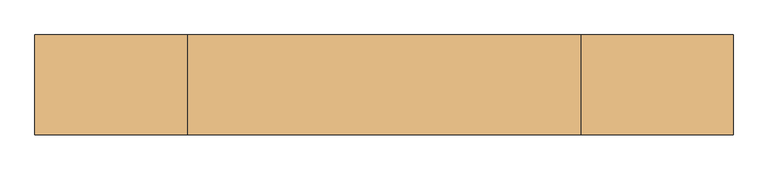
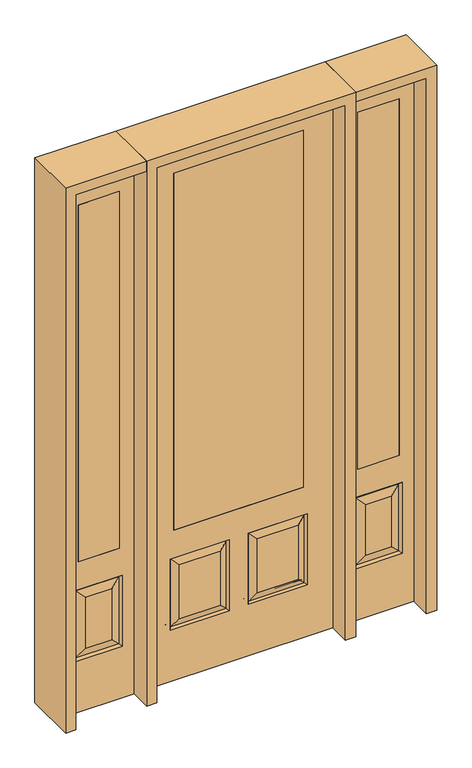
"""IFC4 building model written with IfcOpenShell, lengths in millimetres: door geometry."""

from ifc_helpers import new_model, si_unit, frame, origin, place, context, project, spatial, polyline, outline, extrude, faceted_brep, source, transform, mapped, element, save


def door_cbc164ea(model_context):
    return source(origin(), model_context, "Body", "SolidModel", [
        extrude(outline(polyline([(514.35, -20.6375), (514.35, 20.6375), (692.15, 20.6375), (692.15, -20.6375), (514.35, -20.6375)])), frame((0.0, 0.0, 685.8), z_axis=(0.0, 0.0, 1.0), x_axis=(1.0, 0.0, 0.0)), (0.0, 0.0, 1.0), 1625.6),
        faceted_brep([(755.65, -20.6375, 0.0), (755.65, -20.6375, 2438.4), (450.85, -20.6375, 2438.4), (450.85, -20.6375, 0.0), (501.65, -20.6375, 234.95), (501.65, -20.6375, 558.8), (704.85, -20.6375, 558.8), (704.85, -20.6375, 234.95), (514.35, -20.6375, 685.8), (514.35, -20.6375, 2311.4), (692.15, -20.6375, 2311.4), (692.15, -20.6375, 685.8), (658.8125, -20.6375, 280.9875), (658.8125, -20.6375, 512.7625), (547.6875, -20.6375, 512.7625), (547.6875, -20.6375, 280.9875), (450.85, 20.6375, 0.0), (755.65, 20.6375, 0.0), (450.85, 20.6375, 2438.4), (755.65, 20.6375, 2438.4), (510.6302561, -11.6572439, 243.9302561), (695.8697439, -11.6572439, 243.9302561), (695.8697439, -11.6572439, 549.8197439), (510.6302561, -11.6572439, 549.8197439), (704.85, 20.6375, 234.95), (704.85, 20.6375, 558.8), (501.65, 20.6375, 558.8), (501.65, 20.6375, 234.95), (692.15, 20.6375, 685.8), (692.15, 20.6375, 2311.4), (514.35, 20.6375, 2311.4), (514.35, 20.6375, 685.8), (547.6875, 20.6375, 280.9875), (547.6875, 20.6375, 512.7625), (658.8125, 20.6375, 512.7625), (658.8125, 20.6375, 280.9875), (510.6302561, 11.6572439, 243.9302561), (695.8697439, 11.6572439, 243.9302561), (510.6302561, 11.6572439, 549.8197439), (695.8697439, 11.6572439, 549.8197439)], [[[0, 1, 2, 3], [4, 5, 6, 7], [8, 9, 10, 11]], [[12, 13, 14, 15]], [[3, 16, 17, 0]], [[2, 18, 16, 3]], [[0, 17, 19, 1]], [[20, 4, 7, 21]], [[7, 6, 22, 21]], [[6, 5, 23, 22]], [[20, 23, 5, 4]], [[21, 12, 15, 20]], [[15, 14, 23, 20]], [[22, 23, 14, 13]], [[21, 22, 13, 12]], [[17, 16, 18, 19], [24, 25, 26, 27], [28, 29, 30, 31]], [[32, 33, 34, 35]], [[24, 27, 36, 37]], [[27, 26, 38, 36]], [[39, 38, 26, 25]], [[37, 39, 25, 24]], [[36, 32, 35, 37]], [[35, 34, 39, 37]], [[34, 33, 38, 39]], [[36, 38, 33, 32]], [[1, 19, 18, 2]], [[8, 11, 28, 31]], [[11, 10, 29, 28]], [[31, 30, 9, 8]], [[30, 29, 10, 9]]]),
        extrude(outline(polyline([(-514.35, -20.6375), (-692.15, -20.6375), (-692.15, 20.6375), (-514.35, 20.6375), (-514.35, -20.6375)])), frame((0.0, 0.0, 685.8), z_axis=(0.0, 0.0, 1.0), x_axis=(1.0, 0.0, 0.0)), (0.0, 0.0, 1.0), 1625.6),
        faceted_brep([(-755.65, -20.6375, 0.0), (-450.85, -20.6375, 0.0), (-450.85, -20.6375, 2438.4), (-755.65, -20.6375, 2438.4), (-501.65, -20.6375, 234.95), (-704.85, -20.6375, 234.95), (-704.85, -20.6375, 558.8), (-501.65, -20.6375, 558.8), (-514.35, -20.6375, 685.8), (-692.15, -20.6375, 685.8), (-692.15, -20.6375, 2311.4), (-514.35, -20.6375, 2311.4), (-658.8125, -20.6375, 280.9875), (-547.6875, -20.6375, 280.9875), (-547.6875, -20.6375, 512.7625), (-658.8125, -20.6375, 512.7625), (-755.65, 20.6375, 0.0), (-450.85, 20.6375, 0.0), (-450.85, 20.6375, 2438.4), (-755.65, 20.6375, 2438.4), (-510.6302561, -11.6572439, 243.9302561), (-695.8697439, -11.6572439, 243.9302561), (-695.8697439, -11.6572439, 549.8197439), (-510.6302561, -11.6572439, 549.8197439), (-704.85, 20.6375, 234.95), (-501.65, 20.6375, 234.95), (-501.65, 20.6375, 558.8), (-704.85, 20.6375, 558.8), (-692.15, 20.6375, 685.8), (-514.35, 20.6375, 685.8), (-514.35, 20.6375, 2311.4), (-692.15, 20.6375, 2311.4), (-547.6875, 20.6375, 280.9875), (-658.8125, 20.6375, 280.9875), (-658.8125, 20.6375, 512.7625), (-547.6875, 20.6375, 512.7625), (-695.8697439, 11.6572439, 243.9302561), (-510.6302561, 11.6572439, 243.9302561), (-510.6302561, 11.6572439, 549.8197439), (-695.8697439, 11.6572439, 549.8197439)], [[[0, 1, 2, 3], [4, 5, 6, 7], [8, 9, 10, 11]], [[12, 13, 14, 15]], [[1, 0, 16, 17]], [[2, 1, 17, 18]], [[0, 3, 19, 16]], [[20, 21, 5, 4]], [[5, 21, 22, 6]], [[6, 22, 23, 7]], [[20, 4, 7, 23]], [[21, 20, 13, 12]], [[13, 20, 23, 14]], [[22, 15, 14, 23]], [[21, 12, 15, 22]], [[16, 19, 18, 17], [24, 25, 26, 27], [28, 29, 30, 31]], [[32, 33, 34, 35]], [[24, 36, 37, 25]], [[25, 37, 38, 26]], [[39, 27, 26, 38]], [[36, 24, 27, 39]], [[37, 36, 33, 32]], [[33, 36, 39, 34]], [[34, 39, 38, 35]], [[37, 32, 35, 38]], [[3, 2, 18, 19]], [[8, 29, 28, 9]], [[9, 28, 31, 10]], [[29, 8, 11, 30]], [[30, 11, 10, 31]]]),
        faceted_brep([(279.4, 20.6375, 685.8), (279.4, -20.6375, 685.8), (279.4, -20.6375, 2311.4), (279.4, 20.6375, 2311.4), (-279.4, 20.6375, 685.8), (-279.4, -20.6375, 685.8), (-80.1727627, 20.6375, 273.8477627), (-256.3772373, 20.6375, 273.8477627), (-256.3772373, 20.6375, 520.4102373), (-80.1727627, 20.6375, 520.4102373), (256.3772373, 20.6375, 273.8477627), (80.1727627, 20.6375, 273.8477627), (80.1727627, 20.6375, 520.4102373), (256.3772373, 20.6375, 520.4102373), (-406.4, 20.6375, 2438.4), (406.4, 20.6375, 2438.4), (406.4, 20.6375, 0.0), (-406.4, 20.6375, 0.0), (-279.4, 20.6375, 2311.4), (-295.275, 20.6375, 234.95), (-41.275, 20.6375, 234.95), (-41.275, 20.6375, 559.308), (-295.275, 20.6375, 559.308), (41.275, 20.6375, 234.95), (295.275, 20.6375, 234.95), (295.275, 20.6375, 559.308), (41.275, 20.6375, 559.308), (-279.4, -20.6375, 2311.4), (80.1727627, -20.6375, 273.8477627), (256.3772373, -20.6375, 273.8477627), (256.3772373, -20.6375, 520.4102373), (80.1727627, -20.6375, 520.4102373), (-256.3772373, -20.6375, 273.8477627), (-80.1727627, -20.6375, 273.8477627), (-80.1727627, -20.6375, 520.4102373), (-256.3772373, -20.6375, 520.4102373), (406.4, -20.6375, 2438.4), (-406.4, -20.6375, 2438.4), (-406.4, -20.6375, 0.0), (406.4, -20.6375, 0.0), (295.275, -20.6375, 234.95), (41.275, -20.6375, 234.95), (41.275, -20.6375, 559.308), (295.275, -20.6375, 559.308), (-41.275, -20.6375, 234.95), (-295.275, -20.6375, 234.95), (-295.275, -20.6375, 559.308), (-41.275, -20.6375, 559.308), (-287.8714647, 11.4399763, 242.3535353), (-48.6785353, 11.4399763, 242.3535353), (-48.6785353, 11.4399763, 551.9044647), (-287.8714647, 11.4399763, 551.9044647), (48.6785353, 11.4399763, 242.3535353), (287.8714647, 11.4399763, 242.3535353), (287.8714647, 11.4399763, 551.9044647), (48.6785353, 11.4399763, 551.9044647), (287.8714647, -11.4399763, 242.3535353), (48.6785353, -11.4399763, 242.3535353), (48.6785353, -11.4399763, 551.9044647), (287.8714647, -11.4399763, 551.9044647), (-48.6785353, -11.4399763, 242.3535353), (-287.8714647, -11.4399763, 242.3535353), (-287.8714647, -11.4399763, 551.9044647), (-48.6785353, -11.4399763, 551.9044647)], [[[0, 1, 2, 3]], [[1, 0, 4, 5]], [[6, 7, 8, 9]], [[10, 11, 12, 13]], [[14, 15, 16, 17], [4, 0, 3, 18], [19, 20, 21, 22], [23, 24, 25, 26]], [[5, 4, 18, 27]], [[28, 29, 30, 31]], [[32, 33, 34, 35]], [[36, 37, 38, 39], [1, 5, 27, 2], [40, 41, 42, 43], [44, 45, 46, 47]], [[39, 38, 17, 16]], [[37, 14, 17, 38]], [[15, 36, 39, 16]], [[19, 48, 49, 20]], [[20, 49, 50, 21]], [[51, 22, 21, 50]], [[48, 19, 22, 51]], [[49, 48, 7, 6]], [[7, 48, 51, 8]], [[8, 51, 50, 9]], [[49, 6, 9, 50]], [[52, 53, 24, 23]], [[24, 53, 54, 25]], [[25, 54, 55, 26]], [[52, 23, 26, 55]], [[53, 52, 11, 10]], [[11, 52, 55, 12]], [[54, 13, 12, 55]], [[53, 10, 13, 54]], [[40, 56, 57, 41]], [[41, 57, 58, 42]], [[59, 43, 42, 58]], [[56, 40, 43, 59]], [[57, 56, 29, 28]], [[29, 56, 59, 30]], [[30, 59, 58, 31]], [[57, 28, 31, 58]], [[60, 61, 45, 44]], [[45, 61, 62, 46]], [[46, 62, 63, 47]], [[60, 44, 47, 63]], [[61, 60, 33, 32]], [[33, 60, 63, 34]], [[62, 35, 34, 63]], [[61, 32, 35, 62]], [[3, 2, 27, 18]], [[36, 15, 14, 37]]]),
        extrude(outline(polyline([(279.4, -20.6375), (-279.4, -20.6375), (-279.4, 20.6375), (279.4, 20.6375), (279.4, -20.6375)])), frame((0.0, 0.0, 685.8), z_axis=(0.0, 0.0, 1.0), x_axis=(1.0, 0.0, 0.0)), (0.0, 0.0, 1.0), 1625.6),
        extrude(outline(polyline([(2438.4, -450.85), (2482.85, -450.85), (2482.85, -800.1), (0.0, -800.1), (0.0, -755.65), (2438.4, -755.65), (2438.4, -450.85)])), frame((0.0, -114.3, 0.0), z_axis=(0.0, 1.0, 0.0), x_axis=(0.0, 0.0, 1.0)), (0.0, 0.0, 1.0), 228.6),
        extrude(outline(polyline([(2482.85, -450.85), (0.0, -450.85), (0.0, -406.4), (2438.4, -406.4), (2438.4, 406.4), (0.0, 406.4), (0.0, 450.85), (2482.85, 450.85), (2482.85, -450.85)])), frame((0.0, -114.3, 0.0), z_axis=(0.0, 1.0, 0.0), x_axis=(0.0, 0.0, 1.0)), (0.0, 0.0, 1.0), 228.6),
        extrude(outline(polyline([(0.0, 755.65), (0.0, 800.1), (2482.85, 800.1), (2482.85, 450.85), (2438.4, 450.85), (2438.4, 755.65), (0.0, 755.65)])), frame((0.0, -114.3, 0.0), z_axis=(0.0, 1.0, 0.0), x_axis=(0.0, 0.0, 1.0)), (0.0, 0.0, 1.0), 228.6),
    ])


if __name__ == "__main__":
    model = new_model("IFC4")
    model_context = context("Model", 3, world=origin())
    ifc_project = project(units=[si_unit("LENGTHUNIT", "METRE", prefix="MILLI")], contexts=[model_context])
    site = spatial("IfcSite", under=ifc_project)
    building = spatial("IfcBuilding", under=site)
    placement = place(None, origin())
    door_shape = door_cbc164ea(model_context)
    element("IfcDoor", 1, at=placement, inside=building, context=model_context, shape_type="MappedRepresentation", body=[
        mapped(door_shape, transform((0.0, 0.0, 0.0), x_axis=(1.0, 0.0, 0.0), y_axis=(0.0, 1.0, 0.0), z_axis=(0.0, 0.0, 1.0))),
    ])
    save(model, "model.ifc")
